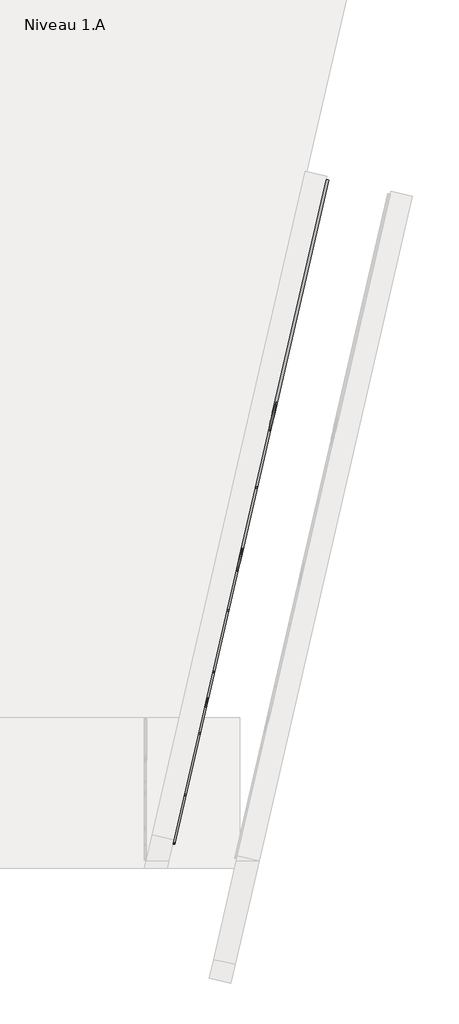
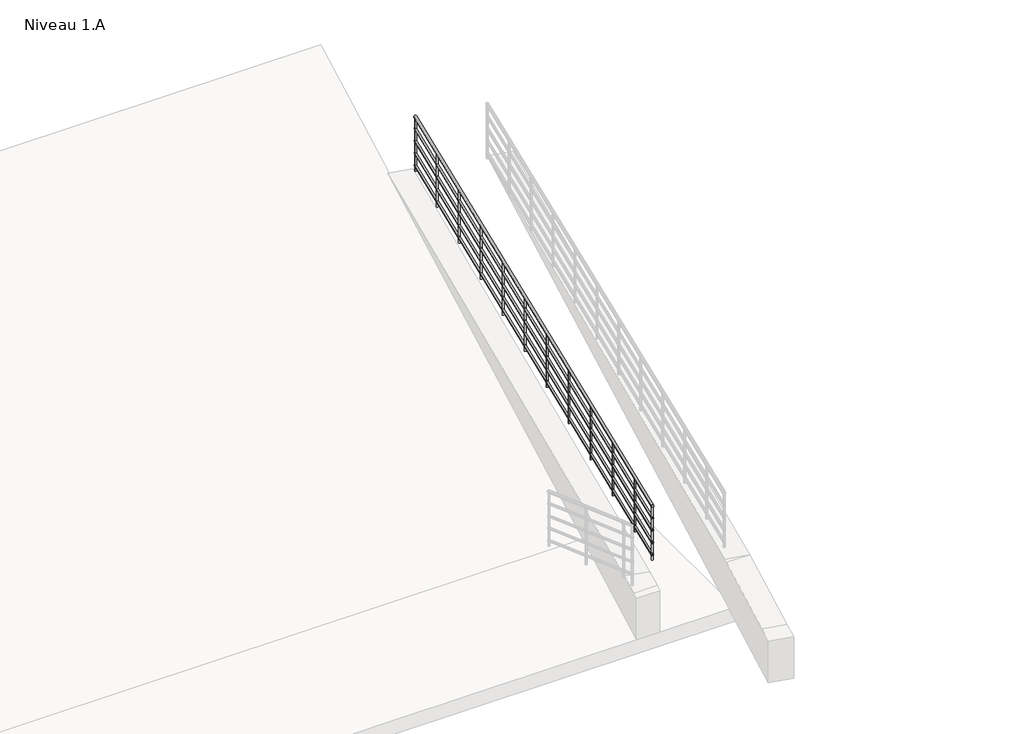
# One storey, part 2 of 3: 1 railing.
"""IFC4 building model written with IfcOpenShell, lengths in millimetres."""

import ifcopenshell
import ifcopenshell.guid

model = None  # the IFC model being written
_history = None  # IfcOwnerHistory: only IFC2X3 demands one
_inside = {}  # id of a spatial element -> (the spatial element, [elements in it])
_under = {}  # id of a project, library or spatial element -> (it, [spatial elements below it])
_declared = {}  # id of a project -> (the project, [libraries it declares])
_typed = {}  # id of a type object -> (the type object, [elements of that type])
_made_of = {}  # id of a material, layer set ... -> (it, [elements and type objects made of it])


def new_model(schema):
    """Start an empty IFC model of exactly this schema.

    Asked for "IFC4X3", IfcOpenShell would pick the latest addendum, in which some entities
    have other attributes; the version numbers below select the first issue.
    IFC2X3 requires an IfcOwnerHistory on every rooted entity: one is made here for all.
    """
    global model, _history
    if schema == "IFC4X3":
        model = ifcopenshell.file(schema_version=(4, 3, 0, 0))
    else:
        model = ifcopenshell.file(schema=schema)
    _inside.clear()
    _under.clear()
    _declared.clear()
    _typed.clear()
    _made_of.clear()
    _history = None
    if model.schema == "IFC2X3":
        org = make("IfcOrganization", Name="unknown")
        user = make(
            "IfcPersonAndOrganization",
            ThePerson=make("IfcPerson", FamilyName="unknown"),
            TheOrganization=org,
        )
        app = make(
            "IfcApplication",
            ApplicationDeveloper=org,
            Version="unknown",
            ApplicationFullName="unknown",
            ApplicationIdentifier="unknown",
        )
        _history = make(
            "IfcOwnerHistory",
            OwningUser=user,
            OwningApplication=app,
            ChangeAction="ADDED",
            CreationDate=0,
        )
    return model


def make(cls, **values):
    """One entity of the class cls with the attributes given. An attribute that is None is left unset."""
    return model.create_entity(
        cls, **{name: value for name, value in values.items() if value is not None}
    )


def rooted(cls, **values):
    """An entity with a GlobalId (a new one), such as an element, a storey or a relation."""
    return make(cls, GlobalId=ifcopenshell.guid.new(), OwnerHistory=_history, **values)


def si_unit(unit_type, name, prefix=None):
    """IfcSIUnit, for example si_unit("LENGTHUNIT", "METRE", prefix="MILLI")."""
    return make("IfcSIUnit", UnitType=unit_type, Prefix=prefix, Name=name)


def assignment(units):
    """IfcUnitAssignment: the units of a project."""
    return None if units is None else make("IfcUnitAssignment", Units=units)


def point(xyz):
    """IfcCartesianPoint."""
    return None if xyz is None else make("IfcCartesianPoint", Coordinates=xyz)


def direction(xyz):
    """IfcDirection."""
    return None if xyz is None else make("IfcDirection", DirectionRatios=xyz)


def frame(location, z_axis=None, x_axis=None):
    """IfcAxis2Placement3D, a coordinate frame: its origin and axes. An axis left out is left unset."""
    return make(
        "IfcAxis2Placement3D",
        Location=point(location),
        Axis=direction(z_axis),
        RefDirection=direction(x_axis),
    )


def origin():
    """The frame at (0, 0, 0) with its axes left unset."""
    return frame((0.0, 0.0, 0.0))


def place(relative_to, where):
    """IfcLocalPlacement: puts the frame where relative to a parent placement (None: the world)."""
    return make(
        "IfcLocalPlacement", PlacementRelTo=relative_to, RelativePlacement=where
    )


def context(
    kind, dimensions, precision=None, world=None, true_north=None, identifier=None
):
    """IfcGeometricRepresentationContext, for example the 3D "Model" context."""
    return make(
        "IfcGeometricRepresentationContext",
        ContextIdentifier=identifier,
        ContextType=kind,
        CoordinateSpaceDimension=dimensions,
        Precision=precision,
        WorldCoordinateSystem=world,
        TrueNorth=true_north,
    )


def project(units=None, contexts=None):
    """IfcProject with its units and contexts."""
    return rooted(
        "IfcProject",
        Name="project",
        RepresentationContexts=contexts,
        UnitsInContext=assignment(units),
    )


def spatial(cls, under=None, at=None, **own):
    """A site, building, storey or space (cls), placed at a placement, below another one or the project."""
    s = rooted(cls, ObjectPlacement=at, **own)
    if under is not None:
        _under.setdefault(under.id(), (under, []))[1].append(s)
    return s


def ellipse_curve(where, semi_axis1, semi_axis2):
    """IfcEllipse in the frame where."""
    return make(
        "IfcEllipse", Position=where, SemiAxis1=semi_axis1, SemiAxis2=semi_axis2
    )


def shape(context_of_items, identifier, shape_type, items):
    """IfcShapeRepresentation: the items that make up one representation, for example the "Body"."""
    return make(
        "IfcShapeRepresentation",
        ContextOfItems=context_of_items,
        RepresentationIdentifier=identifier,
        RepresentationType=shape_type,
        Items=items,
    )


def made_of(thing, what):
    """Note that an element or type object is made of a material, layer set ...; save() writes the relation."""
    if what is not None:
        _made_of.setdefault(what.id(), (what, []))[1].append(thing)
    return thing


def element(
    cls,
    number,
    at=None,
    inside=None,
    cuts=None,
    type_object=None,
    material=None,
    context=None,
    identifier="Body",
    shape_type=None,
    held_by="IfcProductDefinitionShape",
    body=None,
    shapes=None,
    **own,
):
    """One element of the class cls, such as IfcWall. Its Tag is "e" and its number.

    at: its placement. inside: the storey or other place that contains it. cuts: it is an
    opening in that element (IfcRelVoidsElement). A single representation is given by context,
    identifier, shape_type and body (its items); several are given by shapes. held_by: the class
    of the entity that holds the representations. save() writes the other relations.
    """
    e = rooted(cls, Tag="e%d" % number, ObjectPlacement=at, **own)
    if body is not None:
        shapes = [shape(context, identifier, shape_type, body)]
    if shapes is not None:
        e.Representation = make(held_by, Representations=shapes)
    if inside is not None:
        _inside.setdefault(inside.id(), (inside, []))[1].append(e)
    if cuts is not None:
        rooted(
            "IfcRelVoidsElement", RelatingBuildingElement=cuts, RelatedOpeningElement=e
        )
    if type_object is not None:
        _typed.setdefault(type_object.id(), (type_object, []))[1].append(e)
    return made_of(e, material)


def aggregate(whole, parts):
    """IfcRelAggregates: a whole, such as a stair, and the parts it consists of."""
    return rooted("IfcRelAggregates", RelatingObject=whole, RelatedObjects=parts)


def save(model, path):
    """Write the relations noted so far, then the file.

    IfcRelAggregates (storeys below a building ...), IfcRelContainedInSpatialStructure (elements
    in a storey), IfcRelDefinesByType, IfcRelAssociatesMaterial and IfcRelDeclares: one each for
    every whole, place, type object, material and project.
    """
    for whole, parts in _under.values():
        aggregate(whole, parts)
    for where, things in _inside.values():
        rooted(
            "IfcRelContainedInSpatialStructure",
            RelatedElements=things,
            RelatingStructure=where,
        )
    for kind, things in _typed.values():
        rooted("IfcRelDefinesByType", RelatedObjects=things, RelatingType=kind)
    for what, things in _made_of.values():
        rooted("IfcRelAssociatesMaterial", RelatedObjects=things, RelatingMaterial=what)
    for by, libraries in _declared.values():
        rooted("IfcRelDeclares", RelatingContext=by, RelatedDefinitions=libraries)
    model.write(path)


def plane_surface(at):
    """IfcPlane: the flat surface through the origin of the frame at, square to its z axis."""
    return make("IfcPlane", Position=at)


def cylinder_surface(at, radius):
    """IfcCylindricalSurface: all points at the distance radius from the z axis of the frame at."""
    return make("IfcCylindricalSurface", Position=at, Radius=radius)


def advanced_brep(points, edges, surfaces, faces):
    """IfcAdvancedBrep: a solid bounded by faces that lie on surfaces and meet in shared edges.

    An edge is (start, end): straight between two places in points (the first is 0);
    or (start, end, curve); or (start, end, curve, False) where it runs against its curve.
    A face is (place in surfaces, loops), or (place, loops, False) where it looks against
    its surface's normal. A loop lists edges by number (the first is 1), with a minus sign
    where the edge is run from its end to its start. The first loop is the outer one.
    """
    corners = [point(p) for p in points]
    vertices = [make("IfcVertexPoint", VertexGeometry=c) for c in corners]
    made = []
    for start, end, *more in edges:
        made.append(
            make(
                "IfcEdgeCurve",
                EdgeStart=vertices[start],
                EdgeEnd=vertices[end],
                EdgeGeometry=more[0] if more else make("IfcPolyline", Points=[corners[start], corners[end]]),
                SameSense=more[1] if len(more) > 1 else True,
            )
        )
    hull = []
    for where, loops, *sense in faces:
        bounds = []
        for j, loop in enumerate(loops):
            ring = [make("IfcOrientedEdge", EdgeElement=made[abs(k) - 1], Orientation=k > 0) for k in loop]
            bounds.append(
                make(
                    "IfcFaceOuterBound" if j == 0 else "IfcFaceBound",
                    Bound=make("IfcEdgeLoop", EdgeList=ring),
                    Orientation=True,
                )
            )
        hull.append(make("IfcAdvancedFace", Bounds=bounds, FaceSurface=surfaces[where], SameSense=sense[0] if sense else True))
    return make("IfcAdvancedBrep", Outer=make("IfcClosedShell", CfsFaces=hull))


model = new_model("IFC4")

# Units and contexts
model_context = context("Model", 3, world=origin())
ifc_project = project(units=[si_unit("LENGTHUNIT", "METRE", prefix="MILLI")], contexts=[model_context])

# Site, building, storey
site = spatial("IfcSite", under=ifc_project)
building = spatial("IfcBuilding", under=site)
storey = spatial("IfcBuildingStorey", under=building, Name="Niveau 1.A", Elevation=-900.0)

# Railing
placement = place(None, origin())
element("IfcRailing", 1, at=placement, inside=storey, context=model_context, shape_type="AdvancedBrep", body=[
    advanced_brep(
    [(21995.4177442, 11798.8602547, -20.0693243), (22034.3925468, 11789.8622125, -20.0693243), (19565.9463573, 1275.663555, 879.9306757), (19604.9211599, 1266.6655128, 879.9306757)],
    [
        (0, 1, ellipse_curve(frame((22014.9051455, 11794.3612336, -20.0693243), z_axis=(0.22495105434386656, 0.9743700647852349, 0.0), x_axis=(0.0, 0.0, -1.0)), 20.0693243, 20.0)),
        (1, 0, ellipse_curve(frame((22014.9051455, 11794.3612336, -20.0693243), z_axis=(0.22495105434386656, 0.9743700647852349, 0.0), x_axis=(0.0, 0.0, -1.0)), 20.0693243, 20.0)),
        (2, 3, ellipse_curve(frame((19585.4337586, 1271.1645339, 879.9306757), z_axis=(-0.22495105434386656, -0.9743700647852349, 0.0), x_axis=(0.0, 0.0, -1.0)), 20.0693243, 20.0)),
        (3, 2, ellipse_curve(frame((19585.4337586, 1271.1645339, 879.9306757), z_axis=(-0.22495105434386656, -0.9743700647852349, 0.0), x_axis=(0.0, 0.0, -1.0)), 20.0693243, 20.0)),
        (0, 2),
        (3, 1),
    ],
    [
        plane_surface(frame((22014.9051455, 11794.3612336, 0.0), z_axis=(0.22495105434386656, 0.9743700647852349, 0.0), x_axis=(0.9743700647852349, -0.22495105434386656, 0.0))),
        plane_surface(frame((19585.4337586, 1271.1645339, 900.0), z_axis=(-0.22495105434386656, -0.9743700647852349, 0.0), x_axis=(0.9743700647852349, -0.22495105434386656, 0.0))),
        cylinder_surface(frame((22014.5315222, 11792.742893, -19.9309152), z_axis=(0.22417401901909365, 0.9710043550225146, -0.08304547985373997), x_axis=(0.9743700647852349, -0.22495105434386656, 0.0)), 20.0),
    ],
    [
        (0, [[1, 2]]),
        (1, [[3, 4]]),
        (2, [[-1, 5, -4, 6]]),
        (2, [[-2, -6, -3, -5]]),
    ],
),
    advanced_brep(
    [(22000.2895945, 11797.7354994, -215.0519932), (22029.5206965, 11790.9869678, -215.0519932), (19570.8182076, 1274.5387997, 684.9480068), (19600.0493096, 1267.7902681, 684.9480068)],
    [
        (0, 1, ellipse_curve(frame((22014.9051455, 11794.3612336, -215.0519932), z_axis=(0.22495105434386656, 0.9743700647852349, 0.0), x_axis=(0.0, 0.0, -1.0)), 15.0519932, 15.0)),
        (1, 0, ellipse_curve(frame((22014.9051455, 11794.3612336, -215.0519932), z_axis=(0.22495105434386656, 0.9743700647852349, 0.0), x_axis=(0.0, 0.0, -1.0)), 15.0519932, 15.0)),
        (2, 3, ellipse_curve(frame((19585.4337586, 1271.1645339, 684.9480068), z_axis=(-0.22495105434386656, -0.9743700647852349, 0.0), x_axis=(0.0, 0.0, -1.0)), 15.0519932, 15.0)),
        (3, 2, ellipse_curve(frame((19585.4337586, 1271.1645339, 684.9480068), z_axis=(-0.22495105434386656, -0.9743700647852349, 0.0), x_axis=(0.0, 0.0, -1.0)), 15.0519932, 15.0)),
        (0, 2),
        (3, 1),
    ],
    [
        plane_surface(frame((22014.9051455, 11794.3612336, -200.0), z_axis=(0.22495105434386656, 0.9743700647852349, 0.0), x_axis=(0.9743700647852349, -0.22495105434386656, 0.0))),
        plane_surface(frame((19585.4337586, 1271.1645339, 700.0), z_axis=(-0.22495105434386656, -0.9743700647852349, 0.0), x_axis=(0.9743700647852349, -0.22495105434386656, 0.0))),
        cylinder_surface(frame((22014.624928, 11793.1474781, -214.9481864), z_axis=(0.22417401901909365, 0.9710043550225146, -0.08304547985373997), x_axis=(0.9743700647852349, -0.22495105434386656, 0.0)), 15.0),
    ],
    [
        (0, [[1, 2]]),
        (1, [[3, 4]]),
        (2, [[-1, 5, -4, 6]]),
        (2, [[-2, -6, -3, -5]]),
    ],
),
    advanced_brep(
    [(22000.2895945, 11797.7354994, -415.0519932), (22029.5206965, 11790.9869678, -415.0519932), (19570.8182076, 1274.5387997, 484.9480068), (19600.0493096, 1267.7902681, 484.9480068)],
    [
        (0, 1, ellipse_curve(frame((22014.9051455, 11794.3612336, -415.0519932), z_axis=(0.22495105434386656, 0.9743700647852349, 0.0), x_axis=(0.0, 0.0, -1.0)), 15.0519932, 15.0)),
        (1, 0, ellipse_curve(frame((22014.9051455, 11794.3612336, -415.0519932), z_axis=(0.22495105434386656, 0.9743700647852349, 0.0), x_axis=(0.0, 0.0, -1.0)), 15.0519932, 15.0)),
        (2, 3, ellipse_curve(frame((19585.4337586, 1271.1645339, 484.9480068), z_axis=(-0.22495105434386656, -0.9743700647852349, 0.0), x_axis=(0.0, 0.0, -1.0)), 15.0519932, 15.0)),
        (3, 2, ellipse_curve(frame((19585.4337586, 1271.1645339, 484.9480068), z_axis=(-0.22495105434386656, -0.9743700647852349, 0.0), x_axis=(0.0, 0.0, -1.0)), 15.0519932, 15.0)),
        (0, 2),
        (3, 1),
    ],
    [
        plane_surface(frame((22014.9051455, 11794.3612336, -400.0), z_axis=(0.22495105434386656, 0.9743700647852349, 0.0), x_axis=(0.9743700647852349, -0.22495105434386656, 0.0))),
        plane_surface(frame((19585.4337586, 1271.1645339, 500.0), z_axis=(-0.22495105434386656, -0.9743700647852349, 0.0), x_axis=(0.9743700647852349, -0.22495105434386656, 0.0))),
        cylinder_surface(frame((22014.624928, 11793.1474781, -414.9481864), z_axis=(0.22417401901909365, 0.9710043550225146, -0.08304547985373997), x_axis=(0.9743700647852349, -0.22495105434386656, 0.0)), 15.0),
    ],
    [
        (0, [[1, 2]]),
        (1, [[3, 4]]),
        (2, [[-1, 5, -4, 6]]),
        (2, [[-2, -6, -3, -5]]),
    ],
),
    advanced_brep(
    [(22000.2895945, 11797.7354994, -615.0519932), (22029.5206965, 11790.9869678, -615.0519932), (19570.8182076, 1274.5387997, 284.9480068), (19600.0493096, 1267.7902681, 284.9480068)],
    [
        (0, 1, ellipse_curve(frame((22014.9051455, 11794.3612336, -615.0519932), z_axis=(0.22495105434386656, 0.9743700647852349, 0.0), x_axis=(0.0, 0.0, -1.0)), 15.0519932, 15.0)),
        (1, 0, ellipse_curve(frame((22014.9051455, 11794.3612336, -615.0519932), z_axis=(0.22495105434386656, 0.9743700647852349, 0.0), x_axis=(0.0, 0.0, -1.0)), 15.0519932, 15.0)),
        (2, 3, ellipse_curve(frame((19585.4337586, 1271.1645339, 284.9480068), z_axis=(-0.22495105434386656, -0.9743700647852349, 0.0), x_axis=(0.0, 0.0, -1.0)), 15.0519932, 15.0)),
        (3, 2, ellipse_curve(frame((19585.4337586, 1271.1645339, 284.9480068), z_axis=(-0.22495105434386656, -0.9743700647852349, 0.0), x_axis=(0.0, 0.0, -1.0)), 15.0519932, 15.0)),
        (0, 2),
        (3, 1),
    ],
    [
        plane_surface(frame((22014.9051455, 11794.3612336, -600.0), z_axis=(0.22495105434386656, 0.9743700647852349, 0.0), x_axis=(0.9743700647852349, -0.22495105434386656, 0.0))),
        plane_surface(frame((19585.4337586, 1271.1645339, 300.0), z_axis=(-0.22495105434386656, -0.9743700647852349, 0.0), x_axis=(0.9743700647852349, -0.22495105434386656, 0.0))),
        cylinder_surface(frame((22014.624928, 11793.1474781, -614.9481864), z_axis=(0.22417401901909365, 0.9710043550225146, -0.08304547985373997), x_axis=(0.9743700647852349, -0.22495105434386656, 0.0)), 15.0),
    ],
    [
        (0, [[1, 2]]),
        (1, [[3, 4]]),
        (2, [[-1, 5, -4, 6]]),
        (2, [[-2, -6, -3, -5]]),
    ],
),
    advanced_brep(
    [(22000.2895945, 11797.7354994, -815.0519932), (22029.5206965, 11790.9869678, -815.0519932), (19570.8182076, 1274.5387997, 84.9480068), (19600.0493096, 1267.7902681, 84.9480068)],
    [
        (0, 1, ellipse_curve(frame((22014.9051455, 11794.3612336, -815.0519932), z_axis=(0.22495105434386656, 0.9743700647852349, 0.0), x_axis=(0.0, 0.0, -1.0)), 15.0519932, 15.0)),
        (1, 0, ellipse_curve(frame((22014.9051455, 11794.3612336, -815.0519932), z_axis=(0.22495105434386656, 0.9743700647852349, 0.0), x_axis=(0.0, 0.0, -1.0)), 15.0519932, 15.0)),
        (2, 3, ellipse_curve(frame((19585.4337586, 1271.1645339, 84.9480068), z_axis=(-0.22495105434386656, -0.9743700647852349, 0.0), x_axis=(0.0, 0.0, -1.0)), 15.0519932, 15.0)),
        (3, 2, ellipse_curve(frame((19585.4337586, 1271.1645339, 84.9480068), z_axis=(-0.22495105434386656, -0.9743700647852349, 0.0), x_axis=(0.0, 0.0, -1.0)), 15.0519932, 15.0)),
        (0, 2),
        (3, 1),
    ],
    [
        plane_surface(frame((22014.9051455, 11794.3612336, -800.0), z_axis=(0.22495105434386656, 0.9743700647852349, 0.0), x_axis=(0.9743700647852349, -0.22495105434386656, 0.0))),
        plane_surface(frame((19585.4337586, 1271.1645339, 100.0), z_axis=(-0.22495105434386656, -0.9743700647852349, 0.0), x_axis=(0.9743700647852349, -0.22495105434386656, 0.0))),
        cylinder_surface(frame((22014.624928, 11793.1474781, -814.9481864), z_axis=(0.22417401901909365, 0.9710043550225146, -0.08304547985373997), x_axis=(0.9743700647852349, -0.22495105434386656, 0.0)), 15.0),
    ],
    [
        (0, [[1, 2]]),
        (1, [[3, 4]]),
        (2, [[-1, 5, -4, 6]]),
        (2, [[-2, -6, -3, -5]]),
    ],
),
    advanced_brep(
    [(19777.5742279, 2047.8486975, 793.1946847), (19753.2149763, 2053.4724739, 793.1946847), (19753.2149763, 2053.4724739, -66.6666667), (19777.5742279, 2047.8486975, -66.6666667)],
    [
        (0, 1, ellipse_curve(frame((19765.3946021, 2050.6605857, 793.1946847), z_axis=(-0.018681168251591135, -0.08091702958520954, -0.9965457582448797), x_axis=(-0.22417401901909362, -0.9710043550225145, 0.0830454798537388)), 12.5433277, 12.5)),
        (1, 2),
        (2, 3, ellipse_curve(frame((19765.3946021, 2050.6605857, -66.6666667), z_axis=(0.018681168251591128, 0.08091702958520951, 0.9965457582448797), x_axis=(-0.22417401901909362, -0.9710043550225146, 0.08304547985373882)), 12.5433277, 12.5)),
        (3, 0),
        (3, 2, ellipse_curve(frame((19765.3946021, 2050.6605857, -66.6666667), z_axis=(0.018681168251591128, 0.08091702958520951, 0.9965457582448797), x_axis=(-0.22417401901909362, -0.9710043550225146, 0.08304547985373882)), 12.5433277, 12.5)),
        (1, 0, ellipse_curve(frame((19765.3946021, 2050.6605857, 793.1946847), z_axis=(-0.018681168251591135, -0.08091702958520954, -0.9965457582448797), x_axis=(-0.22417401901909362, -0.9710043550225145, 0.0830454798537388)), 12.5433277, 12.5)),
    ],
    [
        cylinder_surface(frame((19765.3946021, 2050.6605857, -166.6666667), z_axis=(0.0, 0.0, 1.0), x_axis=(-0.9743700647852349, 0.22495105434386653, 0.0)), 12.5),
        plane_surface(frame((19735.4115741, 2031.9251105, 795.2780181), z_axis=(0.018681168251591135, 0.08091702958520954, 0.9965457582448797), x_axis=(0.9743700647852349, -0.22495105434386653, 0.0))),
        plane_surface(frame((19746.6591268, 2080.6436137, -68.75), z_axis=(-0.018681168251591128, -0.08091702958520951, -0.9965457582448797), x_axis=(0.9743700647852349, -0.22495105434386653, 0.0))),
    ],
    [
        (0, [[1, 2, 3, 4]]),
        (0, [[5, -2, 6, -4]]),
        (1, [[-6, -1]]),
        (2, [[-5, -3]]),
    ],
),
    advanced_brep(
    [(20002.5252822, 3022.2187623, 709.8613514), (19978.1660306, 3027.8425387, 709.8613514), (19978.1660306, 3027.8425387, -150.0), (20002.5252822, 3022.2187623, -150.0)],
    [
        (0, 1, ellipse_curve(frame((19990.3456564, 3025.0306505, 709.8613514), z_axis=(-0.018681168251591135, -0.08091702958520954, -0.9965457582448797), x_axis=(-0.22417401901909362, -0.9710043550225145, 0.0830454798537388)), 12.5433277, 12.5)),
        (1, 2),
        (2, 3, ellipse_curve(frame((19990.3456564, 3025.0306505, -150.0), z_axis=(0.018681168251591128, 0.08091702958520951, 0.9965457582448797), x_axis=(-0.22417401901909362, -0.9710043550225146, 0.08304547985373882)), 12.5433277, 12.5)),
        (3, 0),
        (3, 2, ellipse_curve(frame((19990.3456564, 3025.0306505, -150.0), z_axis=(0.018681168251591128, 0.08091702958520951, 0.9965457582448797), x_axis=(-0.22417401901909362, -0.9710043550225146, 0.08304547985373882)), 12.5433277, 12.5)),
        (1, 0, ellipse_curve(frame((19990.3456564, 3025.0306505, 709.8613514), z_axis=(-0.018681168251591135, -0.08091702958520954, -0.9965457582448797), x_axis=(-0.22417401901909362, -0.9710043550225145, 0.0830454798537388)), 12.5433277, 12.5)),
    ],
    [
        cylinder_surface(frame((19990.3456564, 3025.0306505, -250.0), z_axis=(0.0, 0.0, 1.0), x_axis=(-0.9743700647852349, 0.22495105434386653, 0.0)), 12.5),
        plane_surface(frame((19960.3626284, 3006.2951752, 711.9446847), z_axis=(0.018681168251591135, 0.08091702958520954, 0.9965457582448797), x_axis=(0.9743700647852349, -0.22495105434386653, 0.0))),
        plane_surface(frame((19971.6101812, 3055.0136785, -152.0833333), z_axis=(-0.018681168251591128, -0.08091702958520951, -0.9965457582448797), x_axis=(0.9743700647852349, -0.22495105434386653, 0.0))),
    ],
    [
        (0, [[1, 2, 3, 4]]),
        (0, [[5, -2, 6, -4]]),
        (1, [[-6, -1]]),
        (2, [[-5, -3]]),
    ],
),
    advanced_brep(
    [(20227.4763366, 3996.5888271, 626.5280181), (20203.117085, 4002.2126035, 626.5280181), (20203.117085, 4002.2126035, -233.3333333), (20227.4763366, 3996.5888271, -233.3333333)],
    [
        (0, 1, ellipse_curve(frame((20215.2967108, 3999.4007153, 626.5280181), z_axis=(-0.018681168251591135, -0.08091702958520954, -0.9965457582448797), x_axis=(-0.22417401901909362, -0.9710043550225145, 0.0830454798537388)), 12.5433277, 12.5)),
        (1, 2),
        (2, 3, ellipse_curve(frame((20215.2967108, 3999.4007153, -233.3333333), z_axis=(0.018681168251591128, 0.08091702958520951, 0.9965457582448797), x_axis=(-0.22417401901909362, -0.9710043550225146, 0.08304547985373882)), 12.5433277, 12.5)),
        (3, 0),
        (3, 2, ellipse_curve(frame((20215.2967108, 3999.4007153, -233.3333333), z_axis=(0.018681168251591128, 0.08091702958520951, 0.9965457582448797), x_axis=(-0.22417401901909362, -0.9710043550225146, 0.08304547985373882)), 12.5433277, 12.5)),
        (1, 0, ellipse_curve(frame((20215.2967108, 3999.4007153, 626.5280181), z_axis=(-0.018681168251591135, -0.08091702958520954, -0.9965457582448797), x_axis=(-0.22417401901909362, -0.9710043550225145, 0.0830454798537388)), 12.5433277, 12.5)),
    ],
    [
        cylinder_surface(frame((20215.2967108, 3999.4007153, -333.3333333), z_axis=(0.0, 0.0, 1.0), x_axis=(-0.9743700647852349, 0.22495105434386653, 0.0)), 12.5),
        plane_surface(frame((20185.3136828, 3980.66524, 628.6113514), z_axis=(0.018681168251591135, 0.08091702958520954, 0.9965457582448797), x_axis=(0.9743700647852349, -0.22495105434386653, 0.0))),
        plane_surface(frame((20196.5612355, 4029.3837433, -235.4166667), z_axis=(-0.018681168251591128, -0.08091702958520951, -0.9965457582448797), x_axis=(0.9743700647852349, -0.22495105434386653, 0.0))),
    ],
    [
        (0, [[1, 2, 3, 4]]),
        (0, [[5, -2, 6, -4]]),
        (1, [[-6, -1]]),
        (2, [[-5, -3]]),
    ],
),
    advanced_brep(
    [(20452.4273909, 4970.9588919, 543.1946847), (20428.0681393, 4976.5826683, 543.1946847), (20428.0681393, 4976.5826683, -316.6666667), (20452.4273909, 4970.9588919, -316.6666667)],
    [
        (0, 1, ellipse_curve(frame((20440.2477651, 4973.7707801, 543.1946847), z_axis=(-0.018681168251591135, -0.08091702958520954, -0.9965457582448797), x_axis=(-0.22417401901909362, -0.9710043550225145, 0.0830454798537388)), 12.5433277, 12.5)),
        (1, 2),
        (2, 3, ellipse_curve(frame((20440.2477651, 4973.7707801, -316.6666667), z_axis=(0.018681168251591128, 0.08091702958520951, 0.9965457582448797), x_axis=(-0.22417401901909362, -0.9710043550225146, 0.08304547985373882)), 12.5433277, 12.5)),
        (3, 0),
        (3, 2, ellipse_curve(frame((20440.2477651, 4973.7707801, -316.6666667), z_axis=(0.018681168251591128, 0.08091702958520951, 0.9965457582448797), x_axis=(-0.22417401901909362, -0.9710043550225146, 0.08304547985373882)), 12.5433277, 12.5)),
        (1, 0, ellipse_curve(frame((20440.2477651, 4973.7707801, 543.1946847), z_axis=(-0.018681168251591135, -0.08091702958520954, -0.9965457582448797), x_axis=(-0.22417401901909362, -0.9710043550225145, 0.0830454798537388)), 12.5433277, 12.5)),
    ],
    [
        cylinder_surface(frame((20440.2477651, 4973.7707801, -416.6666667), z_axis=(0.0, 0.0, 1.0), x_axis=(-0.9743700647852349, 0.22495105434386653, 0.0)), 12.5),
        plane_surface(frame((20410.2647371, 4955.0353048, 545.2780181), z_axis=(0.018681168251591135, 0.08091702958520954, 0.9965457582448797), x_axis=(0.9743700647852349, -0.22495105434386653, 0.0))),
        plane_surface(frame((20421.5122899, 5003.7538081, -318.75), z_axis=(-0.018681168251591128, -0.08091702958520951, -0.9965457582448797), x_axis=(0.9743700647852349, -0.22495105434386653, 0.0))),
    ],
    [
        (0, [[1, 2, 3, 4]]),
        (0, [[5, -2, 6, -4]]),
        (1, [[-6, -1]]),
        (2, [[-5, -3]]),
    ],
),
    advanced_brep(
    [(20677.3784453, 5945.3289567, 459.8613514), (20653.0191936, 5950.952733, 459.8613514), (20653.0191936, 5950.952733, -400.0), (20677.3784453, 5945.3289567, -400.0)],
    [
        (0, 1, ellipse_curve(frame((20665.1988195, 5948.1408449, 459.8613514), z_axis=(-0.018681168251591135, -0.08091702958520954, -0.9965457582448797), x_axis=(-0.22417401901909362, -0.9710043550225145, 0.0830454798537388)), 12.5433277, 12.5)),
        (1, 2),
        (2, 3, ellipse_curve(frame((20665.1988195, 5948.1408449, -400.0), z_axis=(0.018681168251591128, 0.08091702958520951, 0.9965457582448797), x_axis=(-0.22417401901909362, -0.9710043550225146, 0.08304547985373882)), 12.5433277, 12.5)),
        (3, 0),
        (3, 2, ellipse_curve(frame((20665.1988195, 5948.1408449, -400.0), z_axis=(0.018681168251591128, 0.08091702958520951, 0.9965457582448797), x_axis=(-0.22417401901909362, -0.9710043550225146, 0.08304547985373882)), 12.5433277, 12.5)),
        (1, 0, ellipse_curve(frame((20665.1988195, 5948.1408449, 459.8613514), z_axis=(-0.018681168251591135, -0.08091702958520954, -0.9965457582448797), x_axis=(-0.22417401901909362, -0.9710043550225145, 0.0830454798537388)), 12.5433277, 12.5)),
    ],
    [
        cylinder_surface(frame((20665.1988195, 5948.1408449, -500.0), z_axis=(0.0, 0.0, 1.0), x_axis=(-0.9743700647852349, 0.22495105434386653, 0.0)), 12.5),
        plane_surface(frame((20635.2157915, 5929.4053696, 461.9446847), z_axis=(0.018681168251591135, 0.08091702958520954, 0.9965457582448797), x_axis=(0.9743700647852349, -0.22495105434386653, 0.0))),
        plane_surface(frame((20646.4633442, 5978.1238728, -402.0833333), z_axis=(-0.018681168251591128, -0.08091702958520951, -0.9965457582448797), x_axis=(0.9743700647852349, -0.22495105434386653, 0.0))),
    ],
    [
        (0, [[1, 2, 3, 4]]),
        (0, [[5, -2, 6, -4]]),
        (1, [[-6, -1]]),
        (2, [[-5, -3]]),
    ],
),
    advanced_brep(
    [(20902.3294996, 6919.6990215, 376.5280181), (20877.970248, 6925.3227978, 376.5280181), (20877.970248, 6925.3227978, -483.3333333), (20902.3294996, 6919.6990215, -483.3333333)],
    [
        (0, 1, ellipse_curve(frame((20890.1498738, 6922.5109096, 376.5280181), z_axis=(-0.018681168251591135, -0.08091702958520954, -0.9965457582448797), x_axis=(-0.22417401901909362, -0.9710043550225145, 0.0830454798537388)), 12.5433277, 12.5)),
        (1, 2),
        (2, 3, ellipse_curve(frame((20890.1498738, 6922.5109096, -483.3333333), z_axis=(0.018681168251591128, 0.08091702958520951, 0.9965457582448797), x_axis=(-0.22417401901909362, -0.9710043550225146, 0.08304547985373882)), 12.5433277, 12.5)),
        (3, 0),
        (3, 2, ellipse_curve(frame((20890.1498738, 6922.5109096, -483.3333333), z_axis=(0.018681168251591128, 0.08091702958520951, 0.9965457582448797), x_axis=(-0.22417401901909362, -0.9710043550225146, 0.08304547985373882)), 12.5433277, 12.5)),
        (1, 0, ellipse_curve(frame((20890.1498738, 6922.5109096, 376.5280181), z_axis=(-0.018681168251591135, -0.08091702958520954, -0.9965457582448797), x_axis=(-0.22417401901909362, -0.9710043550225145, 0.0830454798537388)), 12.5433277, 12.5)),
    ],
    [
        cylinder_surface(frame((20890.1498738, 6922.5109096, -583.3333333), z_axis=(0.0, 0.0, 1.0), x_axis=(-0.9743700647852349, 0.22495105434386653, 0.0)), 12.5),
        plane_surface(frame((20860.1668458, 6903.7754344, 378.6113514), z_axis=(0.018681168251591135, 0.08091702958520954, 0.9965457582448797), x_axis=(0.9743700647852349, -0.22495105434386653, 0.0))),
        plane_surface(frame((20871.4143985, 6952.4939376, -485.4166667), z_axis=(-0.018681168251591128, -0.08091702958520951, -0.9965457582448797), x_axis=(0.9743700647852349, -0.22495105434386653, 0.0))),
    ],
    [
        (0, [[1, 2, 3, 4]]),
        (0, [[5, -2, 6, -4]]),
        (1, [[-6, -1]]),
        (2, [[-5, -3]]),
    ],
),
    advanced_brep(
    [(21127.280554, 7894.0690863, 293.1946847), (21102.9213023, 7899.6928626, 293.1946847), (21102.9213023, 7899.6928626, -566.6666667), (21127.280554, 7894.0690863, -566.6666667)],
    [
        (0, 1, ellipse_curve(frame((21115.1009281, 7896.8809744, 293.1946847), z_axis=(-0.018681168251591135, -0.08091702958520954, -0.9965457582448797), x_axis=(-0.22417401901909362, -0.9710043550225145, 0.0830454798537388)), 12.5433277, 12.5)),
        (1, 2),
        (2, 3, ellipse_curve(frame((21115.1009281, 7896.8809744, -566.6666667), z_axis=(0.018681168251591128, 0.08091702958520951, 0.9965457582448797), x_axis=(-0.22417401901909362, -0.9710043550225146, 0.08304547985373882)), 12.5433277, 12.5)),
        (3, 0),
        (3, 2, ellipse_curve(frame((21115.1009281, 7896.8809744, -566.6666667), z_axis=(0.018681168251591128, 0.08091702958520951, 0.9965457582448797), x_axis=(-0.22417401901909362, -0.9710043550225146, 0.08304547985373882)), 12.5433277, 12.5)),
        (1, 0, ellipse_curve(frame((21115.1009281, 7896.8809744, 293.1946847), z_axis=(-0.018681168251591135, -0.08091702958520954, -0.9965457582448797), x_axis=(-0.22417401901909362, -0.9710043550225145, 0.0830454798537388)), 12.5433277, 12.5)),
    ],
    [
        cylinder_surface(frame((21115.1009281, 7896.8809744, -666.6666667), z_axis=(0.0, 0.0, 1.0), x_axis=(-0.9743700647852349, 0.22495105434386653, 0.0)), 12.5),
        plane_surface(frame((21085.1179002, 7878.1454992, 295.2780181), z_axis=(0.018681168251591135, 0.08091702958520954, 0.9965457582448797), x_axis=(0.9743700647852349, -0.22495105434386653, 0.0))),
        plane_surface(frame((21096.3654529, 7926.8640024, -568.75), z_axis=(-0.018681168251591128, -0.08091702958520951, -0.9965457582448797), x_axis=(0.9743700647852349, -0.22495105434386653, 0.0))),
    ],
    [
        (0, [[1, 2, 3, 4]]),
        (0, [[5, -2, 6, -4]]),
        (1, [[-6, -1]]),
        (2, [[-5, -3]]),
    ],
),
    advanced_brep(
    [(21352.2316083, 8868.439151, 209.8613514), (21327.8723567, 8874.0629274, 209.8613514), (21327.8723567, 8874.0629274, -650.0), (21352.2316083, 8868.439151, -650.0)],
    [
        (0, 1, ellipse_curve(frame((21340.0519825, 8871.2510392, 209.8613514), z_axis=(-0.018681168251591135, -0.08091702958520954, -0.9965457582448797), x_axis=(-0.22417401901909362, -0.9710043550225145, 0.0830454798537388)), 12.5433277, 12.5)),
        (1, 2),
        (2, 3, ellipse_curve(frame((21340.0519825, 8871.2510392, -650.0), z_axis=(0.018681168251591128, 0.08091702958520951, 0.9965457582448797), x_axis=(-0.22417401901909362, -0.9710043550225146, 0.08304547985373882)), 12.5433277, 12.5)),
        (3, 0),
        (3, 2, ellipse_curve(frame((21340.0519825, 8871.2510392, -650.0), z_axis=(0.018681168251591128, 0.08091702958520951, 0.9965457582448797), x_axis=(-0.22417401901909362, -0.9710043550225146, 0.08304547985373882)), 12.5433277, 12.5)),
        (1, 0, ellipse_curve(frame((21340.0519825, 8871.2510392, 209.8613514), z_axis=(-0.018681168251591135, -0.08091702958520954, -0.9965457582448797), x_axis=(-0.22417401901909362, -0.9710043550225145, 0.0830454798537388)), 12.5433277, 12.5)),
    ],
    [
        cylinder_surface(frame((21340.0519825, 8871.2510392, -750.0), z_axis=(0.0, 0.0, 1.0), x_axis=(-0.9743700647852349, 0.22495105434386653, 0.0)), 12.5),
        plane_surface(frame((21310.0689545, 8852.515564, 211.9446847), z_axis=(0.018681168251591135, 0.08091702958520954, 0.9965457582448797), x_axis=(0.9743700647852349, -0.22495105434386653, 0.0))),
        plane_surface(frame((21321.3165072, 8901.2340672, -652.0833333), z_axis=(-0.018681168251591128, -0.08091702958520951, -0.9965457582448797), x_axis=(0.9743700647852349, -0.22495105434386653, 0.0))),
    ],
    [
        (0, [[1, 2, 3, 4]]),
        (0, [[5, -2, 6, -4]]),
        (1, [[-6, -1]]),
        (2, [[-5, -3]]),
    ],
),
    advanced_brep(
    [(21577.1826626, 9842.8092158, 126.5280181), (21552.823411, 9848.4329922, 126.5280181), (21552.823411, 9848.4329922, -733.3333333), (21577.1826626, 9842.8092158, -733.3333333)],
    [
        (0, 1, ellipse_curve(frame((21565.0030368, 9845.621104, 126.5280181), z_axis=(-0.018681168251591135, -0.08091702958520954, -0.9965457582448797), x_axis=(-0.22417401901909362, -0.9710043550225145, 0.0830454798537388)), 12.5433277, 12.5)),
        (1, 2),
        (2, 3, ellipse_curve(frame((21565.0030368, 9845.621104, -733.3333333), z_axis=(0.018681168251591128, 0.08091702958520951, 0.9965457582448797), x_axis=(-0.22417401901909362, -0.9710043550225146, 0.08304547985373882)), 12.5433277, 12.5)),
        (3, 0),
        (3, 2, ellipse_curve(frame((21565.0030368, 9845.621104, -733.3333333), z_axis=(0.018681168251591128, 0.08091702958520951, 0.9965457582448797), x_axis=(-0.22417401901909362, -0.9710043550225146, 0.08304547985373882)), 12.5433277, 12.5)),
        (1, 0, ellipse_curve(frame((21565.0030368, 9845.621104, 126.5280181), z_axis=(-0.018681168251591135, -0.08091702958520954, -0.9965457582448797), x_axis=(-0.22417401901909362, -0.9710043550225145, 0.0830454798537388)), 12.5433277, 12.5)),
    ],
    [
        cylinder_surface(frame((21565.0030368, 9845.621104, -833.3333333), z_axis=(0.0, 0.0, 1.0), x_axis=(-0.9743700647852349, 0.22495105434386653, 0.0)), 12.5),
        plane_surface(frame((21535.0200089, 9826.8856287, 128.6113514), z_axis=(0.018681168251591135, 0.08091702958520954, 0.9965457582448797), x_axis=(0.9743700647852349, -0.22495105434386653, 0.0))),
        plane_surface(frame((21546.2675616, 9875.604132, -735.4166667), z_axis=(-0.018681168251591128, -0.08091702958520951, -0.9965457582448797), x_axis=(0.9743700647852349, -0.22495105434386653, 0.0))),
    ],
    [
        (0, [[1, 2, 3, 4]]),
        (0, [[5, -2, 6, -4]]),
        (1, [[-6, -1]]),
        (2, [[-5, -3]]),
    ],
),
    advanced_brep(
    [(21802.133717, 10817.1792806, 43.1946847), (21777.7744654, 10822.803057, 43.1946847), (21777.7744654, 10822.803057, -816.6666667), (21802.133717, 10817.1792806, -816.6666667)],
    [
        (0, 1, ellipse_curve(frame((21789.9540912, 10819.9911688, 43.1946847), z_axis=(-0.018681168251591135, -0.08091702958520954, -0.9965457582448797), x_axis=(-0.22417401901909362, -0.9710043550225145, 0.0830454798537388)), 12.5433277, 12.5)),
        (1, 2),
        (2, 3, ellipse_curve(frame((21789.9540912, 10819.9911688, -816.6666667), z_axis=(0.018681168251591128, 0.08091702958520951, 0.9965457582448797), x_axis=(-0.22417401901909362, -0.9710043550225146, 0.08304547985373882)), 12.5433277, 12.5)),
        (3, 0),
        (3, 2, ellipse_curve(frame((21789.9540912, 10819.9911688, -816.6666667), z_axis=(0.018681168251591128, 0.08091702958520951, 0.9965457582448797), x_axis=(-0.22417401901909362, -0.9710043550225146, 0.08304547985373882)), 12.5433277, 12.5)),
        (1, 0, ellipse_curve(frame((21789.9540912, 10819.9911688, 43.1946847), z_axis=(-0.018681168251591135, -0.08091702958520954, -0.9965457582448797), x_axis=(-0.22417401901909362, -0.9710043550225145, 0.0830454798537388)), 12.5433277, 12.5)),
    ],
    [
        cylinder_surface(frame((21789.9540912, 10819.9911688, -916.6666667), z_axis=(0.0, 0.0, 1.0), x_axis=(-0.9743700647852349, 0.22495105434386653, 0.0)), 12.5),
        plane_surface(frame((21759.9710632, 10801.2556935, 45.2780181), z_axis=(0.018681168251591135, 0.08091702958520954, 0.9965457582448797), x_axis=(0.9743700647852349, -0.22495105434386653, 0.0))),
        plane_surface(frame((21771.2186159, 10849.9741968, -818.75), z_axis=(-0.018681168251591128, -0.08091702958520951, -0.9965457582448797), x_axis=(0.9743700647852349, -0.22495105434386653, 0.0))),
    ],
    [
        (0, [[1, 2, 3, 4]]),
        (0, [[5, -2, 6, -4]]),
        (1, [[-6, -1]]),
        (2, [[-5, -3]]),
    ],
),
    advanced_brep(
    [(19600.4252726, 1280.5322715, 858.8196847), (19576.066021, 1286.1560479, 858.8196847), (19576.066021, 1286.1560479, -1.0416667), (19600.4252726, 1280.5322715, -1.0416667)],
    [
        (0, 1, ellipse_curve(frame((19588.2456468, 1283.3441597, 858.8196847), z_axis=(-0.018681168251591135, -0.08091702958520954, -0.9965457582448797), x_axis=(-0.22417401901909362, -0.9710043550225145, 0.0830454798537388)), 12.5433277, 12.5)),
        (1, 2),
        (2, 3, ellipse_curve(frame((19588.2456468, 1283.3441597, -1.0416667), z_axis=(0.018681168251591128, 0.08091702958520951, 0.9965457582448797), x_axis=(-0.22417401901909362, -0.9710043550225146, 0.08304547985373882)), 12.5433277, 12.5)),
        (3, 0),
        (3, 2, ellipse_curve(frame((19588.2456468, 1283.3441597, -1.0416667), z_axis=(0.018681168251591128, 0.08091702958520951, 0.9965457582448797), x_axis=(-0.22417401901909362, -0.9710043550225146, 0.08304547985373882)), 12.5433277, 12.5)),
        (1, 0, ellipse_curve(frame((19588.2456468, 1283.3441597, 858.8196847), z_axis=(-0.018681168251591135, -0.08091702958520954, -0.9965457582448797), x_axis=(-0.22417401901909362, -0.9710043550225145, 0.0830454798537388)), 12.5433277, 12.5)),
    ],
    [
        cylinder_surface(frame((19588.2456468, 1283.3441597, -101.0416667), z_axis=(0.0, 0.0, 1.0), x_axis=(-0.9743700647852349, 0.22495105434386653, 0.0)), 12.5),
        plane_surface(frame((19558.2626188, 1264.6086844, 860.9030181), z_axis=(0.018681168251591135, 0.08091702958520954, 0.9965457582448797), x_axis=(0.9743700647852349, -0.22495105434386653, 0.0))),
        plane_surface(frame((19569.5101715, 1313.3271877, -3.125), z_axis=(-0.018681168251591128, -0.08091702958520951, -0.9965457582448797), x_axis=(0.9743700647852349, -0.22495105434386653, 0.0))),
    ],
    [
        (0, [[1, 2, 3, 4]]),
        (0, [[5, -2, 6, -4]]),
        (1, [[-6, -1]]),
        (2, [[-5, -3]]),
    ],
),
    advanced_brep(
    [(22024.2728831, 11779.3697196, -39.0969819), (21999.9136315, 11784.9934959, -39.0969819), (21999.9136315, 11784.9934959, -898.9583333), (22024.2728831, 11779.3697196, -898.9583333)],
    [
        (0, 1, ellipse_curve(frame((22012.0932573, 11782.1816078, -39.0969819), z_axis=(-0.018681168251591135, -0.08091702958520954, -0.9965457582448797), x_axis=(-0.22417401901909362, -0.9710043550225145, 0.0830454798537388)), 12.5433277, 12.5)),
        (1, 2),
        (2, 3, ellipse_curve(frame((22012.0932573, 11782.1816078, -898.9583333), z_axis=(0.018681168251591128, 0.08091702958520951, 0.9965457582448797), x_axis=(-0.22417401901909362, -0.9710043550225146, 0.08304547985373882)), 12.5433277, 12.5)),
        (3, 0),
        (3, 2, ellipse_curve(frame((22012.0932573, 11782.1816078, -898.9583333), z_axis=(0.018681168251591128, 0.08091702958520951, 0.9965457582448797), x_axis=(-0.22417401901909362, -0.9710043550225146, 0.08304547985373882)), 12.5433277, 12.5)),
        (1, 0, ellipse_curve(frame((22012.0932573, 11782.1816078, -39.0969819), z_axis=(-0.018681168251591135, -0.08091702958520954, -0.9965457582448797), x_axis=(-0.22417401901909362, -0.9710043550225145, 0.0830454798537388)), 12.5433277, 12.5)),
    ],
    [
        cylinder_surface(frame((22012.0932573, 11782.1816078, -998.9583333), z_axis=(0.0, 0.0, 1.0), x_axis=(-0.9743700647852349, 0.22495105434386653, 0.0)), 12.5),
        plane_surface(frame((21982.1102294, 11763.4461325, -37.0136486), z_axis=(0.018681168251591135, 0.08091702958520954, 0.9965457582448797), x_axis=(0.9743700647852349, -0.22495105434386653, 0.0))),
        plane_surface(frame((21993.3577821, 11812.1646357, -901.0416667), z_axis=(-0.018681168251591128, -0.08091702958520951, -0.9965457582448797), x_axis=(0.9743700647852349, -0.22495105434386653, 0.0))),
    ],
    [
        (0, [[1, 2, 3, 4]]),
        (0, [[5, -2, 6, -4]]),
        (1, [[-6, -1]]),
        (2, [[-5, -3]]),
    ],
),
])

save(model, "model.ifc")
